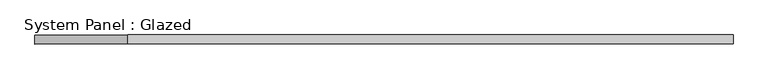
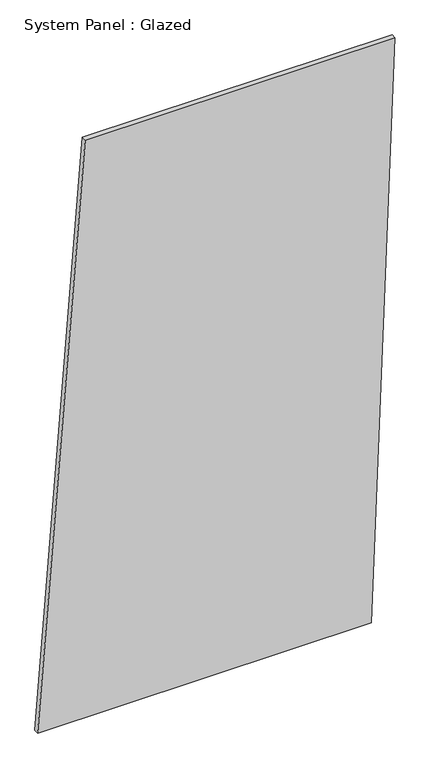
"""IFC4 building model written with IfcOpenShell, lengths in millimetres: plate geometry, System Panel : Glazed."""

from ifc_helpers import new_model, si_unit, frame, origin, place, context, project, spatial, polyline, outline, extrude, source, transform, mapped, element, save


def system_panel_glazed_77b79dad(model_context):
    return source(origin(), model_context, "Body", "SweptSolid", [
        extrude(outline(polyline([(0.0, -975.4727397), (0.0, 845.7165202), (3332.3060389, 975.4727397), (3332.3060389, -715.9603008), (0.0, -975.4727397)])), frame((0.0, -49.5, 0.0), z_axis=(0.0, 1.0, 0.0), x_axis=(0.0, 0.0, 1.0)), (0.0, 0.0, 1.0), 25.0),
    ])


if __name__ == "__main__":
    model = new_model("IFC4")
    model_context = context("Model", 3, world=origin())
    ifc_project = project(units=[si_unit("LENGTHUNIT", "METRE", prefix="MILLI")], contexts=[model_context])
    site = spatial("IfcSite", under=ifc_project)
    building = spatial("IfcBuilding", under=site)
    placement = place(None, origin())
    system_panel_glazed_shape = system_panel_glazed_77b79dad(model_context)
    element("IfcPlate", 1, ObjectType="System Panel : Glazed", at=placement, inside=building, context=model_context, shape_type="MappedRepresentation", body=[
        mapped(system_panel_glazed_shape, transform((0.0, 0.0, 0.0), x_axis=(1.0, 0.0, 0.0), y_axis=(0.0, 1.0, 0.0), z_axis=(0.0, 0.0, 1.0))),
    ])
    save(model, "model.ifc")
